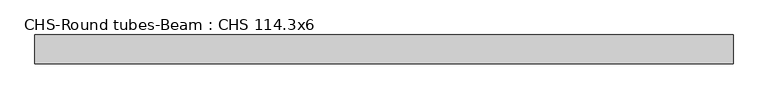
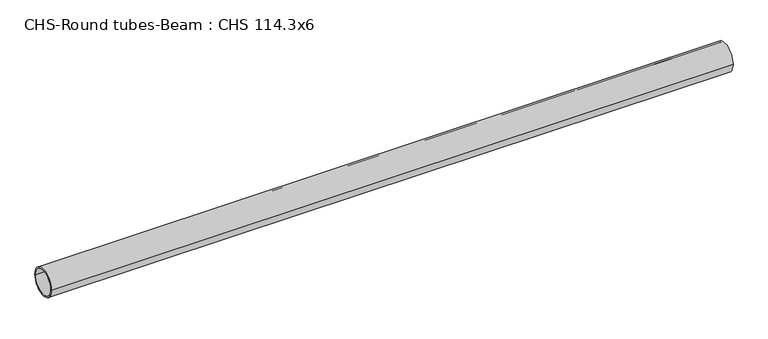
"""IFC4 building model written with IfcOpenShell, lengths in millimetres: beam geometry, CHS-Round tubes-Beam : CHS 114.3x6."""

from ifc_helpers import new_model, si_unit, point, frame, origin, origin_2d, place, context, project, spatial, circle_curve, trimmed, segment, composite_curve, outline, extrude, source, transform, mapped, element, save


def chs_round_tubes_beam_chs_114_3x6_31dcc8ff(model_context):
    return source(origin(), model_context, "Body", "SweptSolid", [
        extrude(outline(composite_curve([segment(trimmed(circle_curve(origin_2d(), 57.15), [point((57.15, 0.0))], [point((-57.15, 0.0))], False, "CARTESIAN"), True, "CONTINUOUS"), segment(trimmed(circle_curve(origin_2d(), 57.15), [point((-57.15, 0.0))], [point((57.15, 0.0))], False, "CARTESIAN"), True, "CONTINUOUS")], self_intersect=False), holes=[composite_curve([segment(trimmed(circle_curve(origin_2d(), 51.15), [point((51.15, 0.0))], [point((-51.15, 0.0))], True, "CARTESIAN"), True, "CONTINUOUS"), segment(trimmed(circle_curve(origin_2d(), 51.15), [point((-51.15, 0.0))], [point((51.15, 0.0))], True, "CARTESIAN"), True, "CONTINUOUS")], self_intersect=False)]), frame((-1374.1496962, 0.0, 0.0), z_axis=(1.0, 0.0, 0.0), x_axis=(0.0, 1.0, 0.0)), (0.0, 0.0, 1.0), 2759.50794),
    ])


if __name__ == "__main__":
    model = new_model("IFC4")
    model_context = context("Model", 3, world=origin())
    ifc_project = project(units=[si_unit("LENGTHUNIT", "METRE", prefix="MILLI")], contexts=[model_context])
    site = spatial("IfcSite", under=ifc_project)
    building = spatial("IfcBuilding", under=site)
    placement = place(None, origin())
    chs_round_tubes_beam_chs_114_3x6_shape = chs_round_tubes_beam_chs_114_3x6_31dcc8ff(model_context)
    element("IfcBeam", 1, ObjectType="CHS-Round tubes-Beam : CHS 114.3x6", at=placement, inside=building, context=model_context, shape_type="MappedRepresentation", body=[
        mapped(chs_round_tubes_beam_chs_114_3x6_shape, transform((0.0, 0.0, 0.0), x_axis=(1.0, 0.0, 0.0), y_axis=(0.0, 1.0, 0.0), z_axis=(0.0, 0.0, 1.0))),
    ])
    save(model, "model.ifc")
